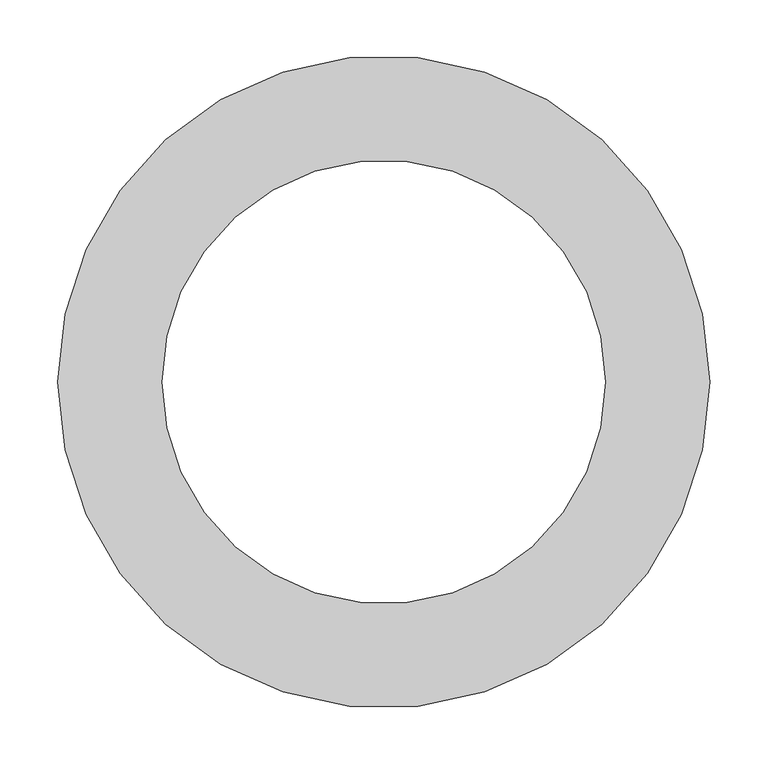
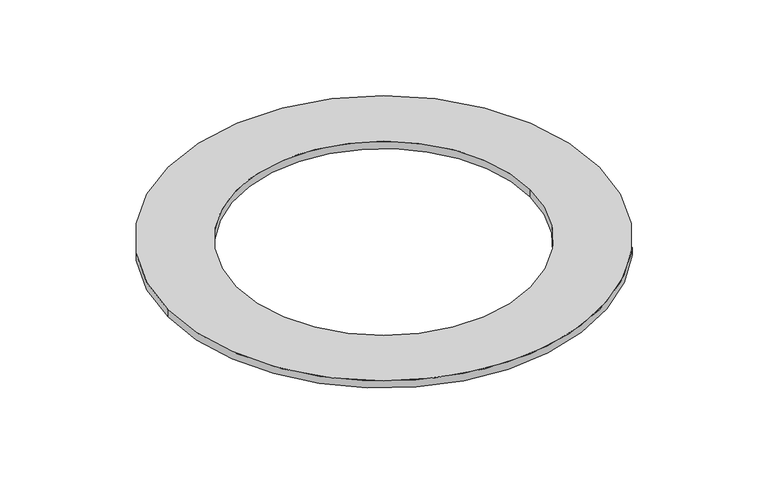
"""IFC4 building model written with IfcOpenShell, lengths in millimetres: furniture geometry."""

from ifc_helpers import new_model, si_unit, point, origin, origin_with_axes, origin_2d, place, context, project, spatial, circle_curve, trimmed, segment, composite_curve, outline, extrude, source, transform, mapped, element, save


def furniture_b2dfdc59(model_context):
    return source(origin(), model_context, "Body", "SweptSolid", [
        extrude(outline(composite_curve([segment(trimmed(circle_curve(origin_2d(), 281.5114882), [point((-281.5114882, 0.0))], [point((281.5114882, 0.0))], False, "CARTESIAN"), True, "CONTINUOUS"), segment(trimmed(circle_curve(origin_2d(), 281.5114882), [point((281.5114882, 0.0))], [point((-281.5114882, 0.0))], False, "CARTESIAN"), True, "CONTINUOUS")], self_intersect=False), holes=[composite_curve([segment(trimmed(circle_curve(origin_2d(), 191.5114882), [point((191.5114882, 0.0))], [point((-191.5114882, 0.0))], True, "CARTESIAN"), True, "CONTINUOUS"), segment(trimmed(circle_curve(origin_2d(), 191.5114882), [point((-191.5114882, 0.0))], [point((191.5114882, 0.0))], True, "CARTESIAN"), True, "CONTINUOUS")], self_intersect=False)]), origin_with_axes(), (0.0, 0.0, 1.0), 10.0),
    ])


if __name__ == "__main__":
    model = new_model("IFC4")
    model_context = context("Model", 3, world=origin())
    ifc_project = project(units=[si_unit("LENGTHUNIT", "METRE", prefix="MILLI")], contexts=[model_context])
    site = spatial("IfcSite", under=ifc_project)
    building = spatial("IfcBuilding", under=site)
    placement = place(None, origin())
    furniture_shape = furniture_b2dfdc59(model_context)
    element("IfcFurniture", 1, at=placement, inside=building, context=model_context, shape_type="MappedRepresentation", body=[
        mapped(furniture_shape, transform((0.0, 0.0, 0.0), x_axis=(1.0, 0.0, 0.0), y_axis=(0.0, 1.0, 0.0), z_axis=(0.0, 0.0, 1.0))),
    ])
    save(model, "model.ifc")
